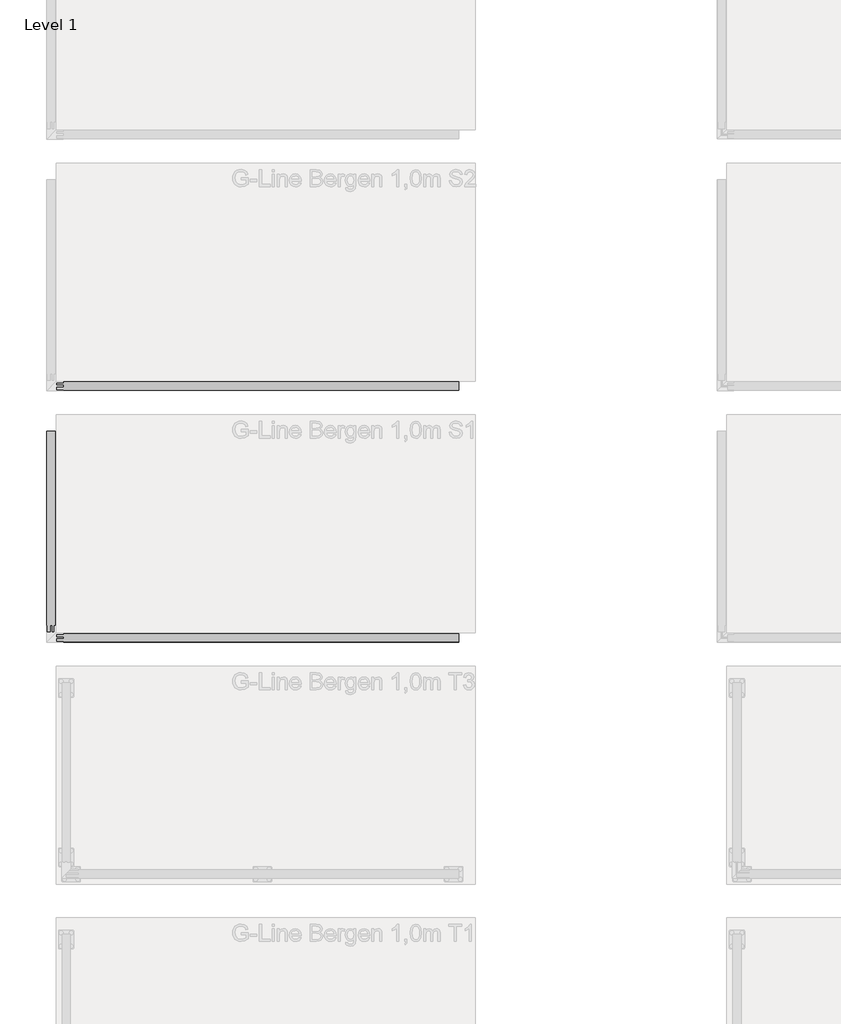
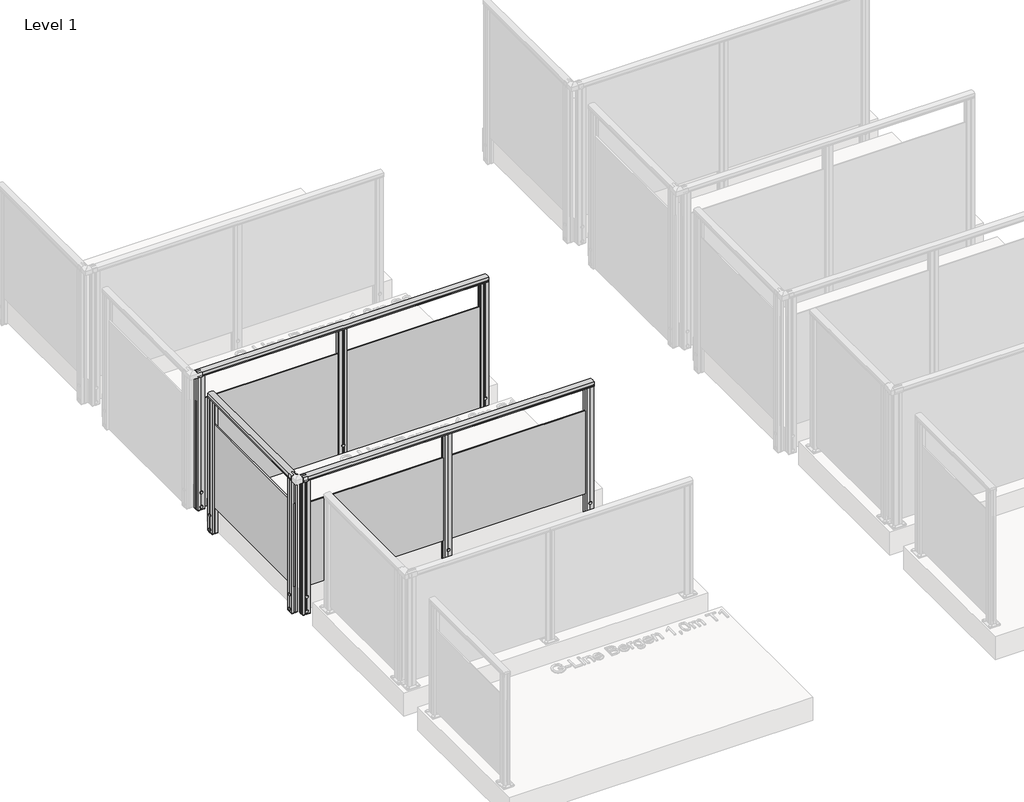
# One storey, part 3 of 14: 3 railings.
"""IFC4 building model written with IfcOpenShell, lengths in millimetres."""

from ifc_helpers import new_model, si_unit, point, frame, frame_2d, origin, place, context, project, spatial, polyline, circle_curve, trimmed, segment, composite_curve, outline, extrude, element, save

model = new_model("IFC4")

# Units and contexts
model_context = context("Model", 3, world=origin())
ifc_project = project(units=[si_unit("LENGTHUNIT", "METRE", prefix="MILLI")], contexts=[model_context])

# Site, building, storey
site = spatial("IfcSite", under=ifc_project)
building = spatial("IfcBuilding", under=site)
storey = spatial("IfcBuildingStorey", under=building, Name="Level 1", Elevation=0.0)

# Railings
placement = place(None, origin())
element("IfcRailing", 1, at=placement, inside=storey, context=model_context, shape_type="SweptSolid", body=[
    extrude(outline(composite_curve([segment(trimmed(circle_curve(frame_2d((942.6785502, -1888.3699367)), 57.3235687), [point((994.1390059, -1863.1149764))], [point((994.1342258, -1913.6346347))], False, "CARTESIAN"), True, "CONTINUOUS"), segment(polyline([(994.1342258, -1913.6346347), (967.0235023, -1913.6346347), (966.4415706, -1913.052703), (965.8194895, -1913.674784), (957.2498847, -1913.674784), (957.2498847, -1911.8698311), (980.4998829, -1911.8698311), (980.4998829, -1864.874785), (957.2498847, -1864.874785), (957.2498847, -1863.1149764), (965.9694895, -1863.1149764), (966.5842725, -1863.7297594), (967.1990555, -1863.1149764), (994.1390059, -1863.1149764)]), True, "CONTINUOUS")], self_intersect=False)), frame((0.0, -1514.2844542, 0.0), z_axis=(0.0, 1.0, 0.0), x_axis=(0.0, 0.0, 1.0)), (0.0, 0.0, 1.0), 1195.0),
    extrude(outline(polyline([(-1892.0345604, -319.2844542), (-1883.2745604, -319.2844542), (-1883.2745604, -1514.2844542), (-1892.0345604, -1514.2844542), (-1892.0345604, -319.2844542)])), frame((0.0, 0.0, 28.0), z_axis=(0.0, 0.0, 1.0), x_axis=(1.0, 0.0, 0.0)), (0.0, 0.0, 1.0), 722.0),
    extrude(outline(polyline([(-1883.3086985, -1514.2828611), (-1883.3061212, -1496.7828613), (-1892.0661212, -1496.7815712), (-1892.0686984, -1514.281571), (-1910.1235058, -1514.2789121), (-1910.1192177, -1485.1619251), (-1909.2407956, -1484.2837617), (-1910.159128, -1483.2458938), (-1910.154862, -1454.2789069), (-1892.0598622, -1454.2815717), (-1892.0624394, -1471.7815715), (-1883.3024395, -1471.7828616), (-1883.2998623, -1454.2828618), (-1865.1949112, -1454.2855281), (-1865.1991844, -1483.3020036), (-1866.187574, -1484.2901021), (-1865.1594327, -1485.3185463), (-1865.1636986, -1514.2855333), (-1883.3086985, -1514.2828611)])), frame((0.0, 0.0, -202.0233958), z_axis=(0.0, 0.0, 1.0), x_axis=(1.0, 0.0, 0.0)), (0.0, 0.0, 1.0), 2.0),
    extrude(outline(composite_curve([segment(trimmed(circle_curve(frame_2d((0.0, 12.0)), 12.0), [point((0.0, 23.9999999))], [point((0.0, 0.0))], False, "CARTESIAN"), True, "CONTINUOUS"), segment(trimmed(circle_curve(frame_2d((0.0, 12.0)), 12.0), [point((0.0, 0.0))], [point((0.0, 23.9999999))], False, "CARTESIAN"), True, "CONTINUOUS")], self_intersect=False)), frame((-1910.1140255, -1472.2754166, -175.0), z_axis=(-0.9999999188284006, 0.0004029183446997833, 0.0), x_axis=(0.0, 0.0, -1.0)), (0.0, 0.0, 1.0), 3.0757477),
    extrude(outline(composite_curve([segment(trimmed(circle_curve(frame_2d((0.0, 12.0)), 12.0), [point((0.0, 23.9999999))], [point((0.0, 0.0))], False, "CARTESIAN"), True, "CONTINUOUS"), segment(trimmed(circle_curve(frame_2d((0.0, 12.0)), 12.0), [point((0.0, 0.0))], [point((0.0, 23.9999999))], False, "CARTESIAN"), True, "CONTINUOUS")], self_intersect=False)), frame((-1910.1140255, -1472.2754166, -50.0), z_axis=(-0.9999999188284006, 0.0004029183446997833, 0.0), x_axis=(0.0, 0.0, -1.0)), (0.0, 0.0, 1.0), 3.0757477),
    extrude(outline(polyline([(-1883.3086985, -1514.2828611), (-1883.3061212, -1496.7828613), (-1892.0661212, -1496.7815712), (-1892.0686984, -1514.281571), (-1910.1235058, -1514.2789121), (-1910.1192177, -1485.1619251), (-1909.2407956, -1484.2837617), (-1910.159128, -1483.2458938), (-1910.154862, -1454.2789069), (-1892.0598622, -1454.2815717), (-1892.0624394, -1471.7815715), (-1883.3024395, -1471.7828616), (-1883.2998623, -1454.2828618), (-1865.1949112, -1454.2855281), (-1865.1991844, -1483.3020036), (-1866.187574, -1484.2901021), (-1865.1594327, -1485.3185463), (-1865.1636986, -1514.2855333), (-1883.3086985, -1514.2828611)]), holes=[polyline([(-1908.1605761, -1475.4852392), (-1908.1605761, -1493.0792009), (-1867.1579846, -1493.0792009), (-1867.1579846, -1475.4852392), (-1908.1605761, -1475.4852392)]), polyline([(-1881.3026899, -1456.2852394), (-1881.3026899, -1473.4831561), (-1867.155157, -1473.4831561), (-1867.155157, -1456.2852394), (-1881.3026899, -1456.2852394)]), polyline([(-1908.1605761, -1456.2812771), (-1908.1605761, -1473.4792008), (-1894.0601567, -1473.4792008), (-1894.0601567, -1456.2812771), (-1908.1605761, -1456.2812771)]), polyline([(-1881.3084039, -1495.0852389), (-1881.3084039, -1512.2831556), (-1867.1608711, -1512.2831556), (-1867.1608711, -1495.0852389), (-1881.3084039, -1495.0852389)]), polyline([(-1908.2134036, -1495.0812767), (-1908.2134036, -1512.2791934), (-1894.0658708, -1512.2791934), (-1894.0658708, -1495.0812767), (-1908.2134036, -1495.0812767)])]), frame((0.0, 0.0, -200.0), z_axis=(0.0, 0.0, 1.0), x_axis=(1.0, 0.0, 0.0)), (0.0, 0.0, 1.0), 1181.0),
    extrude(outline(polyline([(-1883.3086985, -379.2828611), (-1883.3061212, -361.7828613), (-1892.0661212, -361.7815712), (-1892.0686984, -379.281571), (-1910.1235058, -379.2789121), (-1910.1192177, -350.1619251), (-1909.2407956, -349.2837617), (-1910.159128, -348.2458938), (-1910.154862, -319.2789069), (-1892.0598622, -319.2815717), (-1892.0624394, -336.7815715), (-1883.3024395, -336.7828616), (-1883.2998623, -319.2828618), (-1865.1949112, -319.2855281), (-1865.1991844, -348.3020036), (-1866.187574, -349.2901021), (-1865.1594327, -350.3185463), (-1865.1636986, -379.2855333), (-1883.3086985, -379.2828611)])), frame((0.0, 0.0, -202.0233958), z_axis=(0.0, 0.0, 1.0), x_axis=(1.0, 0.0, 0.0)), (0.0, 0.0, 1.0), 2.0),
    extrude(outline(composite_curve([segment(trimmed(circle_curve(frame_2d((0.0, 12.0)), 12.0), [point((0.0, 23.9999999))], [point((0.0, 0.0))], False, "CARTESIAN"), True, "CONTINUOUS"), segment(trimmed(circle_curve(frame_2d((0.0, 12.0)), 12.0), [point((0.0, 0.0))], [point((0.0, 23.9999999))], False, "CARTESIAN"), True, "CONTINUOUS")], self_intersect=False)), frame((-1910.1140255, -337.2754166, -175.0), z_axis=(-0.9999999188284006, 0.0004029183446997833, 0.0), x_axis=(0.0, 0.0, -1.0)), (0.0, 0.0, 1.0), 3.0757477),
    extrude(outline(composite_curve([segment(trimmed(circle_curve(frame_2d((0.0, 12.0)), 12.0), [point((0.0, 23.9999999))], [point((0.0, 0.0))], False, "CARTESIAN"), True, "CONTINUOUS"), segment(trimmed(circle_curve(frame_2d((0.0, 12.0)), 12.0), [point((0.0, 0.0))], [point((0.0, 23.9999999))], False, "CARTESIAN"), True, "CONTINUOUS")], self_intersect=False)), frame((-1910.1140255, -337.2754166, -50.0), z_axis=(-0.9999999188284006, 0.0004029183446997833, 0.0), x_axis=(0.0, 0.0, -1.0)), (0.0, 0.0, 1.0), 3.0757477),
    extrude(outline(polyline([(-1883.3086985, -379.2828611), (-1883.3061212, -361.7828613), (-1892.0661212, -361.7815712), (-1892.0686984, -379.281571), (-1910.1235058, -379.2789121), (-1910.1192177, -350.1619251), (-1909.2407956, -349.2837617), (-1910.159128, -348.2458938), (-1910.154862, -319.2789069), (-1892.0598622, -319.2815717), (-1892.0624394, -336.7815715), (-1883.3024395, -336.7828616), (-1883.2998623, -319.2828618), (-1865.1949112, -319.2855281), (-1865.1991844, -348.3020036), (-1866.187574, -349.2901021), (-1865.1594327, -350.3185463), (-1865.1636986, -379.2855333), (-1883.3086985, -379.2828611)]), holes=[polyline([(-1908.1605761, -340.4852392), (-1908.1605761, -358.0792009), (-1867.1579846, -358.0792009), (-1867.1579846, -340.4852392), (-1908.1605761, -340.4852392)]), polyline([(-1881.3026899, -321.2852394), (-1881.3026899, -338.4831561), (-1867.155157, -338.4831561), (-1867.155157, -321.2852394), (-1881.3026899, -321.2852394)]), polyline([(-1908.1605761, -321.2812771), (-1908.1605761, -338.4792008), (-1894.0601567, -338.4792008), (-1894.0601567, -321.2812771), (-1908.1605761, -321.2812771)]), polyline([(-1881.3084039, -360.0852389), (-1881.3084039, -377.2831556), (-1867.1608711, -377.2831556), (-1867.1608711, -360.0852389), (-1881.3084039, -360.0852389)]), polyline([(-1908.2134036, -360.0812767), (-1908.2134036, -377.2791934), (-1894.0658708, -377.2791934), (-1894.0658708, -360.0812767), (-1908.2134036, -360.0812767)])]), frame((0.0, 0.0, -200.0), z_axis=(0.0, 0.0, 1.0), x_axis=(1.0, 0.0, 0.0)), (0.0, 0.0, 1.0), 1181.0),
])
element("IfcRailing", 2, at=placement, inside=storey, context=model_context, shape_type="SweptSolid", body=[
    extrude(outline(composite_curve([segment(polyline([(-1524.7448702, 994.1390059), (-1524.7448702, 967.1990555), (-1525.3596532, 966.5842725), (-1524.7448702, 965.9694895), (-1524.7448702, 957.2498847), (-1526.5046787, 957.2498847), (-1526.5046787, 980.4998829), (-1573.4997249, 980.4998829), (-1573.4997249, 957.2498847), (-1575.3046778, 957.2498847), (-1575.3046778, 965.8194895), (-1574.6825967, 966.4415706), (-1575.2645284, 967.0235023), (-1575.2645284, 994.1342258)]), True, "CONTINUOUS"), segment(trimmed(circle_curve(frame_2d((-1549.9998305, 942.6785502)), 57.3235687), [point((-1575.2645284, 994.1342258))], [point((-1524.7448702, 994.1390059))], False, "CARTESIAN"), True, "CONTINUOUS")], self_intersect=False)), frame((-1852.6545604, 0.0, 0.0), z_axis=(1.0, 0.0, 0.0), x_axis=(0.0, 1.0, 0.0)), (0.0, 0.0, 1.0), 2395.0),
    extrude(outline(polyline([(-1852.6545604, -1553.6644542), (-1852.6545604, -1544.9044542), (542.3454396, -1544.9044542), (542.3454396, -1553.6644542), (-1852.6545604, -1553.6644542)])), frame((0.0, 0.0, 28.0), z_axis=(0.0, 0.0, 1.0), x_axis=(1.0, 0.0, 0.0)), (0.0, 0.0, 1.0), 722.0),
    extrude(outline(polyline([(-625.1561535, -1544.9385922), (-642.6561533, -1544.936015), (-642.6574434, -1553.6960149), (-625.1574436, -1553.6985921), (-625.1601025, -1571.7533995), (-654.2770895, -1571.7491115), (-655.1552529, -1570.8706894), (-656.1931208, -1571.7890217), (-685.1601078, -1571.7847558), (-685.1574429, -1553.689756), (-667.6574431, -1553.6923332), (-667.656153, -1544.9323333), (-685.1561528, -1544.9297561), (-685.1534865, -1526.824805), (-656.137011, -1526.8290782), (-655.1489125, -1527.8174678), (-654.1204683, -1526.7893265), (-625.1534813, -1526.7935924), (-625.1561535, -1544.9385922)])), frame((0.0, 0.0, -202.0233958), z_axis=(0.0, 0.0, 1.0), x_axis=(1.0, 0.0, 0.0)), (0.0, 0.0, 1.0), 2.0),
    extrude(outline(composite_curve([segment(trimmed(circle_curve(frame_2d((0.0, 12.0)), 12.0), [point((0.0, 24.0))], [point((0.0, 0.0))], False, "CARTESIAN"), True, "CONTINUOUS"), segment(trimmed(circle_curve(frame_2d((0.0, 12.0)), 12.0), [point((0.0, 0.0))], [point((0.0, 24.0))], False, "CARTESIAN"), True, "CONTINUOUS")], self_intersect=False)), frame((-667.1648373, -1574.8196667, -175.0), z_axis=(0.00040291834662179495, 0.9999999188283998, 0.0), x_axis=(0.0, 0.0, 1.0)), (0.0, 0.0, 1.0), 3.0757477),
    extrude(outline(composite_curve([segment(trimmed(circle_curve(frame_2d((0.0, 12.0)), 12.0), [point((0.0, 24.0))], [point((0.0, 0.0))], False, "CARTESIAN"), True, "CONTINUOUS"), segment(trimmed(circle_curve(frame_2d((0.0, 12.0)), 12.0), [point((0.0, 0.0))], [point((0.0, 24.0))], False, "CARTESIAN"), True, "CONTINUOUS")], self_intersect=False)), frame((-667.1648373, -1574.8196667, -50.0), z_axis=(0.00040291834662179495, 0.9999999188283998, 0.0), x_axis=(0.0, 0.0, 1.0)), (0.0, 0.0, 1.0), 3.0757477),
    extrude(outline(polyline([(-625.1561535, -1544.9385922), (-642.6561533, -1544.936015), (-642.6574434, -1553.6960149), (-625.1574436, -1553.6985921), (-625.1601025, -1571.7533995), (-654.2770895, -1571.7491115), (-655.1552529, -1570.8706894), (-656.1931208, -1571.7890217), (-685.1601078, -1571.7847558), (-685.1574429, -1553.689756), (-667.6574431, -1553.6923332), (-667.656153, -1544.9323333), (-685.1561528, -1544.9297561), (-685.1534865, -1526.824805), (-656.137011, -1526.8290782), (-655.1489125, -1527.8174678), (-654.1204683, -1526.7893265), (-625.1534813, -1526.7935924), (-625.1561535, -1544.9385922)]), holes=[polyline([(-663.9537754, -1569.7904698), (-646.3598137, -1569.7904698), (-646.3598137, -1528.7878783), (-663.9537754, -1528.7878783), (-663.9537754, -1569.7904698)]), polyline([(-683.1537752, -1542.9325837), (-665.9558585, -1542.9325837), (-665.9558585, -1528.7850508), (-683.1537752, -1528.7850508), (-683.1537752, -1542.9325837)]), polyline([(-683.1577375, -1569.7904698), (-665.9598138, -1569.7904698), (-665.9598138, -1555.6900505), (-683.1577375, -1555.6900505), (-683.1577375, -1569.7904698)]), polyline([(-644.3537757, -1542.9382977), (-627.155859, -1542.9382977), (-627.155859, -1528.7907648), (-644.3537757, -1528.7907648), (-644.3537757, -1542.9382977)]), polyline([(-644.3577379, -1569.8432974), (-627.1598212, -1569.8432974), (-627.1598212, -1555.6957645), (-644.3577379, -1555.6957645), (-644.3577379, -1569.8432974)])]), frame((0.0, 0.0, -200.0), z_axis=(0.0, 0.0, 1.0), x_axis=(1.0, 0.0, 0.0)), (0.0, 0.0, 1.0), 1181.0),
    extrude(outline(polyline([(542.3438465, -1544.9385922), (524.8438467, -1544.936015), (524.8425566, -1553.6960149), (542.3425564, -1553.6985921), (542.3398975, -1571.7533995), (513.2229105, -1571.7491115), (512.3447471, -1570.8706894), (511.3068792, -1571.7890217), (482.3398922, -1571.7847558), (482.3425571, -1553.689756), (499.8425569, -1553.6923332), (499.843847, -1544.9323333), (482.3438472, -1544.9297561), (482.3465135, -1526.824805), (511.362989, -1526.8290782), (512.3510875, -1527.8174678), (513.3795317, -1526.7893265), (542.3465187, -1526.7935924), (542.3438465, -1544.9385922)])), frame((0.0, 0.0, -202.0233958), z_axis=(0.0, 0.0, 1.0), x_axis=(1.0, 0.0, 0.0)), (0.0, 0.0, 1.0), 2.0),
    extrude(outline(composite_curve([segment(trimmed(circle_curve(frame_2d((0.0, 12.0)), 12.0), [point((0.0, 24.0))], [point((0.0, 0.0))], False, "CARTESIAN"), True, "CONTINUOUS"), segment(trimmed(circle_curve(frame_2d((0.0, 12.0)), 12.0), [point((0.0, 0.0))], [point((0.0, 24.0))], False, "CARTESIAN"), True, "CONTINUOUS")], self_intersect=False)), frame((500.3351627, -1574.8196667, -175.0), z_axis=(0.00040291834662179495, 0.9999999188283998, 0.0), x_axis=(0.0, 0.0, 1.0)), (0.0, 0.0, 1.0), 3.0757477),
    extrude(outline(composite_curve([segment(trimmed(circle_curve(frame_2d((0.0, 12.0)), 12.0), [point((0.0, 24.0))], [point((0.0, 0.0))], False, "CARTESIAN"), True, "CONTINUOUS"), segment(trimmed(circle_curve(frame_2d((0.0, 12.0)), 12.0), [point((0.0, 0.0))], [point((0.0, 24.0))], False, "CARTESIAN"), True, "CONTINUOUS")], self_intersect=False)), frame((500.3351627, -1574.8196667, -50.0), z_axis=(0.00040291834662179495, 0.9999999188283998, 0.0), x_axis=(0.0, 0.0, 1.0)), (0.0, 0.0, 1.0), 3.0757477),
    extrude(outline(polyline([(542.3438465, -1544.9385922), (524.8438467, -1544.936015), (524.8425566, -1553.6960149), (542.3425564, -1553.6985921), (542.3398975, -1571.7533995), (513.2229105, -1571.7491115), (512.3447471, -1570.8706894), (511.3068792, -1571.7890217), (482.3398922, -1571.7847558), (482.3425571, -1553.689756), (499.8425569, -1553.6923332), (499.843847, -1544.9323333), (482.3438472, -1544.9297561), (482.3465135, -1526.824805), (511.362989, -1526.8290782), (512.3510875, -1527.8174678), (513.3795317, -1526.7893265), (542.3465187, -1526.7935924), (542.3438465, -1544.9385922)]), holes=[polyline([(503.5462246, -1569.7904698), (521.1401863, -1569.7904698), (521.1401863, -1528.7878783), (503.5462246, -1528.7878783), (503.5462246, -1569.7904698)]), polyline([(484.3462248, -1542.9325837), (501.5441415, -1542.9325837), (501.5441415, -1528.7850508), (484.3462248, -1528.7850508), (484.3462248, -1542.9325837)]), polyline([(484.3422625, -1569.7904698), (501.5401862, -1569.7904698), (501.5401862, -1555.6900505), (484.3422625, -1555.6900505), (484.3422625, -1569.7904698)]), polyline([(523.1462243, -1542.9382977), (540.344141, -1542.9382977), (540.344141, -1528.7907648), (523.1462243, -1528.7907648), (523.1462243, -1542.9382977)]), polyline([(523.1422621, -1569.8432974), (540.3401788, -1569.8432974), (540.3401788, -1555.6957645), (523.1422621, -1555.6957645), (523.1422621, -1569.8432974)])]), frame((0.0, 0.0, -200.0), z_axis=(0.0, 0.0, 1.0), x_axis=(1.0, 0.0, 0.0)), (0.0, 0.0, 1.0), 1181.0),
    extrude(outline(polyline([(-1792.6561535, -1544.9385922), (-1810.1561533, -1544.936015), (-1810.1574434, -1553.6960149), (-1792.6574436, -1553.6985921), (-1792.6601025, -1571.7533995), (-1821.7770895, -1571.7491115), (-1822.6552529, -1570.8706894), (-1823.6931208, -1571.7890217), (-1852.6601078, -1571.7847558), (-1852.6574429, -1553.689756), (-1835.1574431, -1553.6923332), (-1835.156153, -1544.9323333), (-1852.6561528, -1544.9297561), (-1852.6534865, -1526.824805), (-1823.637011, -1526.8290782), (-1822.6489125, -1527.8174678), (-1821.6204683, -1526.7893265), (-1792.6534813, -1526.7935924), (-1792.6561535, -1544.9385922)])), frame((0.0, 0.0, -202.0233958), z_axis=(0.0, 0.0, 1.0), x_axis=(1.0, 0.0, 0.0)), (0.0, 0.0, 1.0), 2.0),
    extrude(outline(composite_curve([segment(trimmed(circle_curve(frame_2d((0.0, 12.0)), 12.0), [point((0.0, 24.0))], [point((0.0, 0.0))], False, "CARTESIAN"), True, "CONTINUOUS"), segment(trimmed(circle_curve(frame_2d((0.0, 12.0)), 12.0), [point((0.0, 0.0))], [point((0.0, 24.0))], False, "CARTESIAN"), True, "CONTINUOUS")], self_intersect=False)), frame((-1834.6648373, -1574.8196667, -175.0), z_axis=(0.00040291834662179495, 0.9999999188283998, 0.0), x_axis=(0.0, 0.0, 1.0)), (0.0, 0.0, 1.0), 3.0757477),
    extrude(outline(composite_curve([segment(trimmed(circle_curve(frame_2d((0.0, 12.0)), 12.0), [point((0.0, 24.0))], [point((0.0, 0.0))], False, "CARTESIAN"), True, "CONTINUOUS"), segment(trimmed(circle_curve(frame_2d((0.0, 12.0)), 12.0), [point((0.0, 0.0))], [point((0.0, 24.0))], False, "CARTESIAN"), True, "CONTINUOUS")], self_intersect=False)), frame((-1834.6648373, -1574.8196667, -50.0), z_axis=(0.00040291834662179495, 0.9999999188283998, 0.0), x_axis=(0.0, 0.0, 1.0)), (0.0, 0.0, 1.0), 3.0757477),
    extrude(outline(polyline([(-1792.6561535, -1544.9385922), (-1810.1561533, -1544.936015), (-1810.1574434, -1553.6960149), (-1792.6574436, -1553.6985921), (-1792.6601025, -1571.7533995), (-1821.7770895, -1571.7491115), (-1822.6552529, -1570.8706894), (-1823.6931208, -1571.7890217), (-1852.6601078, -1571.7847558), (-1852.6574429, -1553.689756), (-1835.1574431, -1553.6923332), (-1835.156153, -1544.9323333), (-1852.6561528, -1544.9297561), (-1852.6534865, -1526.824805), (-1823.637011, -1526.8290782), (-1822.6489125, -1527.8174678), (-1821.6204683, -1526.7893265), (-1792.6534813, -1526.7935924), (-1792.6561535, -1544.9385922)]), holes=[polyline([(-1831.4537754, -1569.7904698), (-1813.8598137, -1569.7904698), (-1813.8598137, -1528.7878783), (-1831.4537754, -1528.7878783), (-1831.4537754, -1569.7904698)]), polyline([(-1850.6537752, -1542.9325837), (-1833.4558585, -1542.9325837), (-1833.4558585, -1528.7850508), (-1850.6537752, -1528.7850508), (-1850.6537752, -1542.9325837)]), polyline([(-1850.6577375, -1569.7904698), (-1833.4598138, -1569.7904698), (-1833.4598138, -1555.6900505), (-1850.6577375, -1555.6900505), (-1850.6577375, -1569.7904698)]), polyline([(-1811.8537757, -1542.9382977), (-1794.655859, -1542.9382977), (-1794.655859, -1528.7907648), (-1811.8537757, -1528.7907648), (-1811.8537757, -1542.9382977)]), polyline([(-1811.8577379, -1569.8432974), (-1794.6598212, -1569.8432974), (-1794.6598212, -1555.6957645), (-1811.8577379, -1555.6957645), (-1811.8577379, -1569.8432974)])]), frame((0.0, 0.0, -200.0), z_axis=(0.0, 0.0, 1.0), x_axis=(1.0, 0.0, 0.0)), (0.0, 0.0, 1.0), 1181.0),
])
element("IfcRailing", 3, at=placement, inside=storey, context=model_context, shape_type="SweptSolid", body=[
    extrude(outline(composite_curve([segment(polyline([(-24.7448702, 994.1390059), (-24.7448702, 967.1990555), (-25.3596532, 966.5842725), (-24.7448702, 965.9694895), (-24.7448702, 957.2498847), (-26.5046787, 957.2498847), (-26.5046787, 980.4998829), (-73.4997249, 980.4998829), (-73.4997249, 957.2498847), (-75.3046778, 957.2498847), (-75.3046778, 965.8194895), (-74.6825967, 966.4415706), (-75.2645284, 967.0235023), (-75.2645284, 994.1342258)]), True, "CONTINUOUS"), segment(trimmed(circle_curve(frame_2d((-49.9998305, 942.6785502)), 57.3235687), [point((-75.2645284, 994.1342258))], [point((-24.7448702, 994.1390059))], False, "CARTESIAN"), True, "CONTINUOUS")], self_intersect=False)), frame((-1852.6545604, 0.0, 0.0), z_axis=(1.0, 0.0, 0.0), x_axis=(0.0, 1.0, 0.0)), (0.0, 0.0, 1.0), 2395.0),
    extrude(outline(polyline([(-1852.6545604, -50.1800713), (-1852.6545604, -48.3163884), (542.3454396, -48.3163884), (542.3454396, -50.1800713), (-1852.6545604, -50.1800713)])), frame((0.0, 0.0, -200.0), z_axis=(0.0, 0.0, 1.0), x_axis=(1.0, 0.0, 0.0)), (0.0, 0.0, 1.0), 1.1703418),
    extrude(outline(polyline([(-1852.6545604, -53.6644542), (-1852.6545604, -44.9044542), (542.3454396, -44.9044542), (542.3454396, -53.6644542), (-1852.6545604, -53.6644542)])), frame((0.0, 0.0, -200.0), z_axis=(0.0, 0.0, 1.0), x_axis=(1.0, 0.0, 0.0)), (0.0, 0.0, 1.0), 945.0),
    extrude(outline(polyline([(-625.1561535, -44.9385922), (-642.6561533, -44.936015), (-642.6574434, -53.6960149), (-625.1574436, -53.6985921), (-625.1601025, -71.7533995), (-654.2770895, -71.7491115), (-655.1552529, -70.8706894), (-656.1931208, -71.7890217), (-685.1601078, -71.7847558), (-685.1574429, -53.689756), (-667.6574431, -53.6923332), (-667.656153, -44.9323333), (-685.1561528, -44.9297561), (-685.1534865, -26.824805), (-656.137011, -26.8290782), (-655.1489125, -27.8174678), (-654.1204683, -26.7893265), (-625.1534813, -26.7935924), (-625.1561535, -44.9385922)])), frame((0.0, 0.0, -202.0233958), z_axis=(0.0, 0.0, 1.0), x_axis=(1.0, 0.0, 0.0)), (0.0, 0.0, 1.0), 2.0),
    extrude(outline(composite_curve([segment(trimmed(circle_curve(frame_2d((0.0, 12.0)), 12.0), [point((0.0, 24.0))], [point((0.0, 0.0))], False, "CARTESIAN"), True, "CONTINUOUS"), segment(trimmed(circle_curve(frame_2d((0.0, 12.0)), 12.0), [point((0.0, 0.0))], [point((0.0, 24.0))], False, "CARTESIAN"), True, "CONTINUOUS")], self_intersect=False)), frame((-667.1648373, -74.8196667, -175.0), z_axis=(0.00040291834662179495, 0.9999999188283998, 0.0), x_axis=(0.0, 0.0, 1.0)), (0.0, 0.0, 1.0), 3.0757477),
    extrude(outline(composite_curve([segment(trimmed(circle_curve(frame_2d((0.0, 12.0)), 12.0), [point((0.0, 24.0))], [point((0.0, 0.0))], False, "CARTESIAN"), True, "CONTINUOUS"), segment(trimmed(circle_curve(frame_2d((0.0, 12.0)), 12.0), [point((0.0, 0.0))], [point((0.0, 24.0))], False, "CARTESIAN"), True, "CONTINUOUS")], self_intersect=False)), frame((-667.1648373, -74.8196667, -50.0), z_axis=(0.00040291834662179495, 0.9999999188283998, 0.0), x_axis=(0.0, 0.0, 1.0)), (0.0, 0.0, 1.0), 3.0757477),
    extrude(outline(polyline([(-625.1561535, -44.9385922), (-642.6561533, -44.936015), (-642.6574434, -53.6960149), (-625.1574436, -53.6985921), (-625.1601025, -71.7533995), (-654.2770895, -71.7491115), (-655.1552529, -70.8706894), (-656.1931208, -71.7890217), (-685.1601078, -71.7847558), (-685.1574429, -53.689756), (-667.6574431, -53.6923332), (-667.656153, -44.9323333), (-685.1561528, -44.9297561), (-685.1534865, -26.824805), (-656.137011, -26.8290782), (-655.1489125, -27.8174678), (-654.1204683, -26.7893265), (-625.1534813, -26.7935924), (-625.1561535, -44.9385922)]), holes=[polyline([(-663.9537754, -69.7904698), (-646.3598137, -69.7904698), (-646.3598137, -28.7878783), (-663.9537754, -28.7878783), (-663.9537754, -69.7904698)]), polyline([(-683.1537752, -42.9325837), (-665.9558585, -42.9325837), (-665.9558585, -28.7850508), (-683.1537752, -28.7850508), (-683.1537752, -42.9325837)]), polyline([(-683.1577375, -69.7904698), (-665.9598138, -69.7904698), (-665.9598138, -55.6900505), (-683.1577375, -55.6900505), (-683.1577375, -69.7904698)]), polyline([(-644.3537757, -42.9382977), (-627.155859, -42.9382977), (-627.155859, -28.7907648), (-644.3537757, -28.7907648), (-644.3537757, -42.9382977)]), polyline([(-644.3577379, -69.8432974), (-627.1598212, -69.8432974), (-627.1598212, -55.6957645), (-644.3577379, -55.6957645), (-644.3577379, -69.8432974)])]), frame((0.0, 0.0, -200.0), z_axis=(0.0, 0.0, 1.0), x_axis=(1.0, 0.0, 0.0)), (0.0, 0.0, 1.0), 1181.0),
    extrude(outline(polyline([(542.3438465, -44.9385922), (524.8438467, -44.936015), (524.8425566, -53.6960149), (542.3425564, -53.6985921), (542.3398975, -71.7533995), (513.2229105, -71.7491115), (512.3447471, -70.8706894), (511.3068792, -71.7890217), (482.3398922, -71.7847558), (482.3425571, -53.689756), (499.8425569, -53.6923332), (499.843847, -44.9323333), (482.3438472, -44.9297561), (482.3465135, -26.824805), (511.362989, -26.8290782), (512.3510875, -27.8174678), (513.3795317, -26.7893265), (542.3465187, -26.7935924), (542.3438465, -44.9385922)])), frame((0.0, 0.0, -202.0233958), z_axis=(0.0, 0.0, 1.0), x_axis=(1.0, 0.0, 0.0)), (0.0, 0.0, 1.0), 2.0),
    extrude(outline(composite_curve([segment(trimmed(circle_curve(frame_2d((0.0, 12.0)), 12.0), [point((0.0, 24.0))], [point((0.0, 0.0))], False, "CARTESIAN"), True, "CONTINUOUS"), segment(trimmed(circle_curve(frame_2d((0.0, 12.0)), 12.0), [point((0.0, 0.0))], [point((0.0, 24.0))], False, "CARTESIAN"), True, "CONTINUOUS")], self_intersect=False)), frame((500.3351627, -74.8196667, -175.0), z_axis=(0.00040291834662179495, 0.9999999188283998, 0.0), x_axis=(0.0, 0.0, 1.0)), (0.0, 0.0, 1.0), 3.0757477),
    extrude(outline(composite_curve([segment(trimmed(circle_curve(frame_2d((0.0, 12.0)), 12.0), [point((0.0, 24.0))], [point((0.0, 0.0))], False, "CARTESIAN"), True, "CONTINUOUS"), segment(trimmed(circle_curve(frame_2d((0.0, 12.0)), 12.0), [point((0.0, 0.0))], [point((0.0, 24.0))], False, "CARTESIAN"), True, "CONTINUOUS")], self_intersect=False)), frame((500.3351627, -74.8196667, -50.0), z_axis=(0.00040291834662179495, 0.9999999188283998, 0.0), x_axis=(0.0, 0.0, 1.0)), (0.0, 0.0, 1.0), 3.0757477),
    extrude(outline(polyline([(542.3438465, -44.9385922), (524.8438467, -44.936015), (524.8425566, -53.6960149), (542.3425564, -53.6985921), (542.3398975, -71.7533995), (513.2229105, -71.7491115), (512.3447471, -70.8706894), (511.3068792, -71.7890217), (482.3398922, -71.7847558), (482.3425571, -53.689756), (499.8425569, -53.6923332), (499.843847, -44.9323333), (482.3438472, -44.9297561), (482.3465135, -26.824805), (511.362989, -26.8290782), (512.3510875, -27.8174678), (513.3795317, -26.7893265), (542.3465187, -26.7935924), (542.3438465, -44.9385922)]), holes=[polyline([(503.5462246, -69.7904698), (521.1401863, -69.7904698), (521.1401863, -28.7878783), (503.5462246, -28.7878783), (503.5462246, -69.7904698)]), polyline([(484.3462248, -42.9325837), (501.5441415, -42.9325837), (501.5441415, -28.7850508), (484.3462248, -28.7850508), (484.3462248, -42.9325837)]), polyline([(484.3422625, -69.7904698), (501.5401862, -69.7904698), (501.5401862, -55.6900505), (484.3422625, -55.6900505), (484.3422625, -69.7904698)]), polyline([(523.1462243, -42.9382977), (540.344141, -42.9382977), (540.344141, -28.7907648), (523.1462243, -28.7907648), (523.1462243, -42.9382977)]), polyline([(523.1422621, -69.8432974), (540.3401788, -69.8432974), (540.3401788, -55.6957645), (523.1422621, -55.6957645), (523.1422621, -69.8432974)])]), frame((0.0, 0.0, -200.0), z_axis=(0.0, 0.0, 1.0), x_axis=(1.0, 0.0, 0.0)), (0.0, 0.0, 1.0), 1181.0),
    extrude(outline(polyline([(-1792.6561535, -44.9385922), (-1810.1561533, -44.936015), (-1810.1574434, -53.6960149), (-1792.6574436, -53.6985921), (-1792.6601025, -71.7533995), (-1821.7770895, -71.7491115), (-1822.6552529, -70.8706894), (-1823.6931208, -71.7890217), (-1852.6601078, -71.7847558), (-1852.6574429, -53.689756), (-1835.1574431, -53.6923332), (-1835.156153, -44.9323333), (-1852.6561528, -44.9297561), (-1852.6534865, -26.824805), (-1823.637011, -26.8290782), (-1822.6489125, -27.8174678), (-1821.6204683, -26.7893265), (-1792.6534813, -26.7935924), (-1792.6561535, -44.9385922)])), frame((0.0, 0.0, -202.0233958), z_axis=(0.0, 0.0, 1.0), x_axis=(1.0, 0.0, 0.0)), (0.0, 0.0, 1.0), 2.0),
    extrude(outline(composite_curve([segment(trimmed(circle_curve(frame_2d((0.0, 12.0)), 12.0), [point((0.0, 24.0))], [point((0.0, 0.0))], False, "CARTESIAN"), True, "CONTINUOUS"), segment(trimmed(circle_curve(frame_2d((0.0, 12.0)), 12.0), [point((0.0, 0.0))], [point((0.0, 24.0))], False, "CARTESIAN"), True, "CONTINUOUS")], self_intersect=False)), frame((-1834.6648373, -74.8196667, -175.0), z_axis=(0.00040291834662179495, 0.9999999188283998, 0.0), x_axis=(0.0, 0.0, 1.0)), (0.0, 0.0, 1.0), 3.0757477),
    extrude(outline(composite_curve([segment(trimmed(circle_curve(frame_2d((0.0, 12.0)), 12.0), [point((0.0, 24.0))], [point((0.0, 0.0))], False, "CARTESIAN"), True, "CONTINUOUS"), segment(trimmed(circle_curve(frame_2d((0.0, 12.0)), 12.0), [point((0.0, 0.0))], [point((0.0, 24.0))], False, "CARTESIAN"), True, "CONTINUOUS")], self_intersect=False)), frame((-1834.6648373, -74.8196667, -50.0), z_axis=(0.00040291834662179495, 0.9999999188283998, 0.0), x_axis=(0.0, 0.0, 1.0)), (0.0, 0.0, 1.0), 3.0757477),
    extrude(outline(polyline([(-1792.6561535, -44.9385922), (-1810.1561533, -44.936015), (-1810.1574434, -53.6960149), (-1792.6574436, -53.6985921), (-1792.6601025, -71.7533995), (-1821.7770895, -71.7491115), (-1822.6552529, -70.8706894), (-1823.6931208, -71.7890217), (-1852.6601078, -71.7847558), (-1852.6574429, -53.689756), (-1835.1574431, -53.6923332), (-1835.156153, -44.9323333), (-1852.6561528, -44.9297561), (-1852.6534865, -26.824805), (-1823.637011, -26.8290782), (-1822.6489125, -27.8174678), (-1821.6204683, -26.7893265), (-1792.6534813, -26.7935924), (-1792.6561535, -44.9385922)]), holes=[polyline([(-1831.4537754, -69.7904698), (-1813.8598137, -69.7904698), (-1813.8598137, -28.7878783), (-1831.4537754, -28.7878783), (-1831.4537754, -69.7904698)]), polyline([(-1850.6537752, -42.9325837), (-1833.4558585, -42.9325837), (-1833.4558585, -28.7850508), (-1850.6537752, -28.7850508), (-1850.6537752, -42.9325837)]), polyline([(-1850.6577375, -69.7904698), (-1833.4598138, -69.7904698), (-1833.4598138, -55.6900505), (-1850.6577375, -55.6900505), (-1850.6577375, -69.7904698)]), polyline([(-1811.8537757, -42.9382977), (-1794.655859, -42.9382977), (-1794.655859, -28.7907648), (-1811.8537757, -28.7907648), (-1811.8537757, -42.9382977)]), polyline([(-1811.8577379, -69.8432974), (-1794.6598212, -69.8432974), (-1794.6598212, -55.6957645), (-1811.8577379, -55.6957645), (-1811.8577379, -69.8432974)])]), frame((0.0, 0.0, -200.0), z_axis=(0.0, 0.0, 1.0), x_axis=(1.0, 0.0, 0.0)), (0.0, 0.0, 1.0), 1181.0),
])

save(model, "model.ifc")
